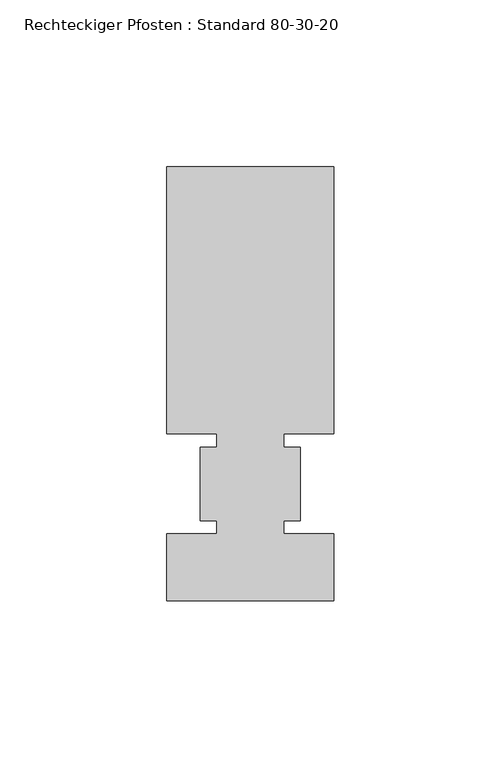
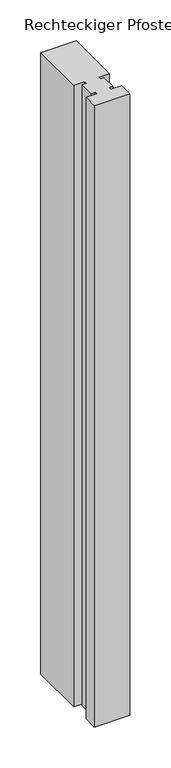
"""IFC4 building model written with IfcOpenShell, lengths in millimetres: member geometry, Rechteckiger Pfosten : Standard 80-30-20."""

from ifc_helpers import new_model, si_unit, frame, origin, place, context, project, spatial, polyline, outline, extrude, source, transform, mapped, element, save


def rechteckiger_pfosten_standard_80_30_20_ab5c6be4(model_context):
    return source(origin(), model_context, "Body", "SweptSolid", [
        extrude(outline(polyline([(-50.0, 95.0), (0.0, 95.0), (0.0, 15.0), (-15.0, 15.0), (-15.0, 11.0), (-10.0, 11.0), (-10.0, -11.0), (-15.0, -11.0), (-15.0, -15.0), (0.0, -15.0), (0.0, -35.0), (-50.0, -35.0), (-50.0, -15.0), (-35.0, -15.0), (-35.0, -11.0), (-40.0, -11.0), (-40.0, 11.0), (-35.0, 11.0), (-35.0, 15.0), (-50.0, 15.0), (-50.0, 95.0)])), frame((0.0, 0.0, -925.7142859), z_axis=(0.0, 0.0, 1.0), x_axis=(1.0, 0.0, 0.0)), (0.0, 0.0, 1.0), 925.7142859),
    ])


if __name__ == "__main__":
    model = new_model("IFC4")
    model_context = context("Model", 3, world=origin())
    ifc_project = project(units=[si_unit("LENGTHUNIT", "METRE", prefix="MILLI")], contexts=[model_context])
    site = spatial("IfcSite", under=ifc_project)
    building = spatial("IfcBuilding", under=site)
    placement = place(None, origin())
    rechteckiger_pfosten_standard_80_30_20_shape = rechteckiger_pfosten_standard_80_30_20_ab5c6be4(model_context)
    element("IfcMember", 1, ObjectType="Rechteckiger Pfosten : Standard 80-30-20", at=placement, inside=building, context=model_context, shape_type="MappedRepresentation", body=[
        mapped(rechteckiger_pfosten_standard_80_30_20_shape, transform((0.0, 0.0, 0.0), x_axis=(1.0, 0.0, 0.0), y_axis=(0.0, 1.0, 0.0), z_axis=(0.0, 0.0, 1.0))),
    ])
    save(model, "model.ifc")
